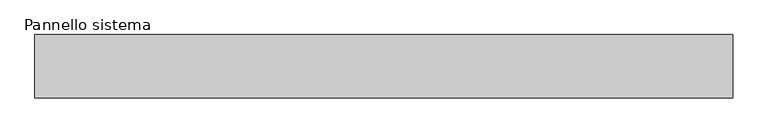
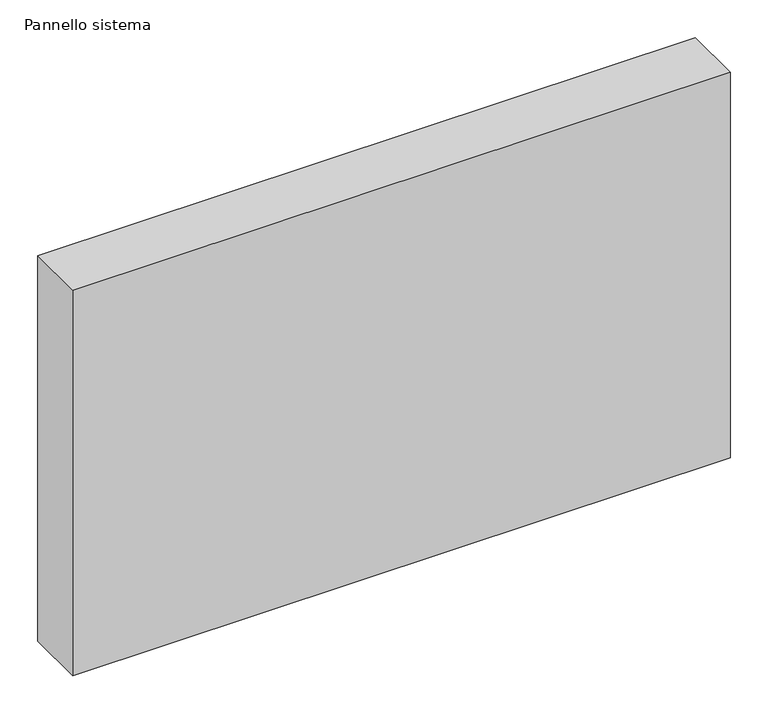
"""IFC4 building model written with IfcOpenShell, lengths in millimetres: plate geometry, Pannello sistema."""

from ifc_helpers import new_model, si_unit, origin, origin_with_axes, place, context, project, spatial, polyline, outline, extrude, source, transform, mapped, element, save


def pannello_sistema_15de4501(model_context):
    return source(origin(), model_context, "Body", "SweptSolid", [
        extrude(outline(polyline([(500.0, -45.5), (-500.0, -45.5), (-500.0, 45.5), (500.0, 45.5), (500.0, -45.5)])), origin_with_axes(), (0.0, 0.0, 1.0), 620.0),
    ])


if __name__ == "__main__":
    model = new_model("IFC4")
    model_context = context("Model", 3, world=origin())
    ifc_project = project(units=[si_unit("LENGTHUNIT", "METRE", prefix="MILLI")], contexts=[model_context])
    site = spatial("IfcSite", under=ifc_project)
    building = spatial("IfcBuilding", under=site)
    placement = place(None, origin())
    pannello_sistema_shape = pannello_sistema_15de4501(model_context)
    element("IfcPlate", 1, ObjectType="Pannello sistema", at=placement, inside=building, context=model_context, shape_type="MappedRepresentation", body=[
        mapped(pannello_sistema_shape, transform((0.0, 0.0, 0.0), x_axis=(1.0, 0.0, 0.0), y_axis=(0.0, 1.0, 0.0), z_axis=(0.0, 0.0, 1.0))),
    ])
    save(model, "model.ifc")
